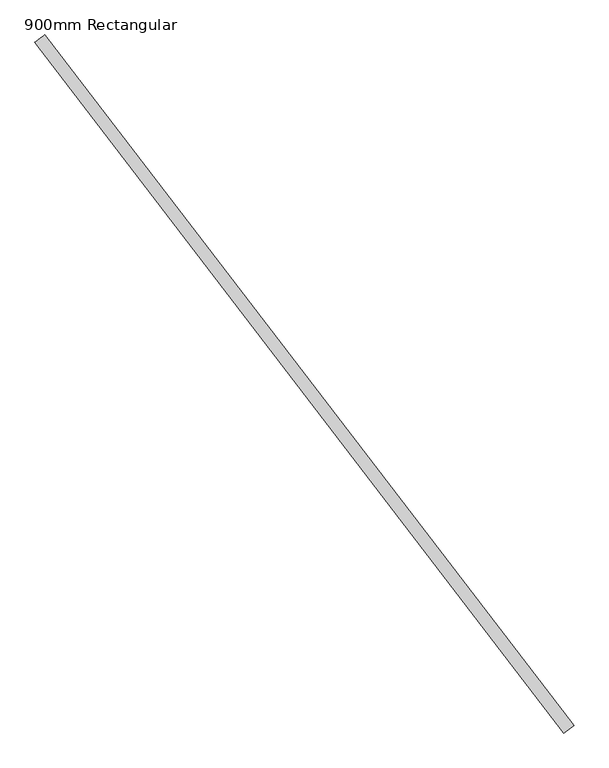
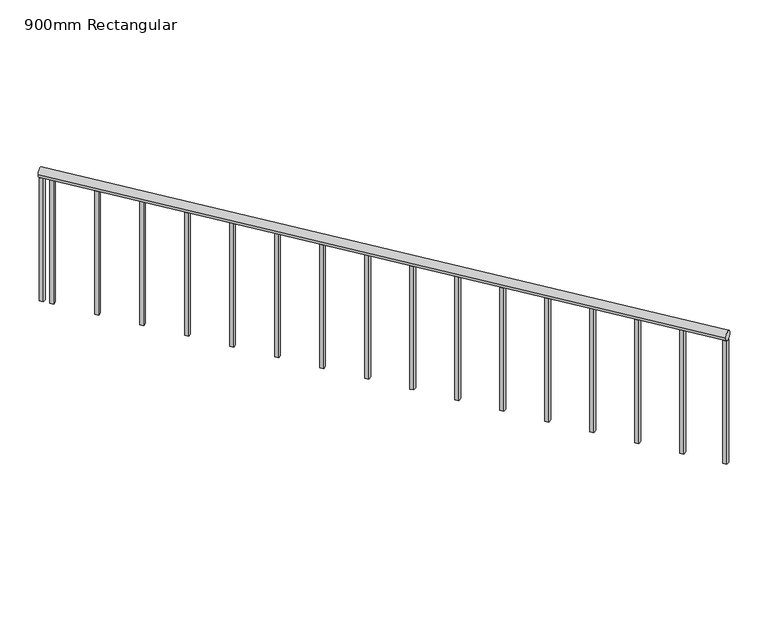
"""IFC4 building model written with IfcOpenShell, lengths in millimetres: railing geometry, 900mm Rectangular."""

from ifc_helpers import new_model, si_unit, point, frame, frame_2d, origin, place, context, project, spatial, polyline, circle_curve, trimmed, segment, composite_curve, outline, extrude, source, transform, mapped, element, save


def railing_900mm_rectangular_e5b7ac3e(model_context):
    return source(origin(), model_context, "Body", "SweptSolid", [
        extrude(outline(composite_curve([segment(trimmed(circle_curve(frame_2d((0.0, 20.0)), 30.0), [point((-30.0, 20.0))], [point((30.0, 20.0))], False, "CARTESIAN"), True, "CONTINUOUS"), segment(trimmed(circle_curve(frame_2d((0.0, 20.0)), 30.0), [point((30.0, 20.0))], [point((-30.0, 20.0))], False, "CARTESIAN"), True, "CONTINUOUS")], self_intersect=False)), frame((-9171.3417065, -155.0503325, 4500.0), z_axis=(-0.6084643426153794, 0.7935812143477403, 0.0), x_axis=(0.7935812143477403, 0.6084643426153794, 0.0)), (0.0, 0.0, 1.0), 4200.0),
        extrude(outline(polyline([(-11663.7315503, 3116.1582158), (-11683.5710807, 3100.9466072), (-11698.7826892, 3120.7861376), (-11678.9431589, 3135.9977461), (-11663.7315503, 3116.1582158)])), frame((0.0, 0.0, 3600.0), z_axis=(0.0, 0.0, 1.0), x_axis=(1.0, 0.0, 0.0)), (0.0, 0.0, 1.0), 850.0),
        extrude(outline(polyline([(-11496.4038561, 2897.9233818), (-11516.2433865, 2882.7117733), (-11531.454995, 2902.5513036), (-11511.6154647, 2917.7629122), (-11496.4038561, 2897.9233818)])), frame((0.0, 0.0, 3600.0), z_axis=(0.0, 0.0, 1.0), x_axis=(1.0, 0.0, 0.0)), (0.0, 0.0, 1.0), 850.0),
        extrude(outline(polyline([(-11329.0761619, 2679.6885479), (-11348.9156922, 2664.4769393), (-11364.1273008, 2684.3164697), (-11344.2877704, 2699.5280783), (-11329.0761619, 2679.6885479)])), frame((0.0, 0.0, 3600.0), z_axis=(0.0, 0.0, 1.0), x_axis=(1.0, 0.0, 0.0)), (0.0, 0.0, 1.0), 850.0),
        extrude(outline(polyline([(-11161.7484677, 2461.453714), (-11181.587998, 2446.2421054), (-11196.7996066, 2466.0816357), (-11176.9600762, 2481.2932443), (-11161.7484677, 2461.453714)])), frame((0.0, 0.0, 3600.0), z_axis=(0.0, 0.0, 1.0), x_axis=(1.0, 0.0, 0.0)), (0.0, 0.0, 1.0), 850.0),
        extrude(outline(polyline([(-10994.4207734, 2243.21888), (-11014.2603038, 2228.0072714), (-11029.4719124, 2247.8468018), (-11009.632382, 2263.0584104), (-10994.4207734, 2243.21888)])), frame((0.0, 0.0, 3600.0), z_axis=(0.0, 0.0, 1.0), x_axis=(1.0, 0.0, 0.0)), (0.0, 0.0, 1.0), 850.0),
        extrude(outline(polyline([(-10827.0930792, 2024.9840461), (-10846.9326096, 2009.7724375), (-10862.1442181, 2029.6119679), (-10842.3046878, 2044.8235764), (-10827.0930792, 2024.9840461)])), frame((0.0, 0.0, 3600.0), z_axis=(0.0, 0.0, 1.0), x_axis=(1.0, 0.0, 0.0)), (0.0, 0.0, 1.0), 850.0),
        extrude(outline(polyline([(-10659.765385, 1806.7492121), (-10679.6049154, 1791.5376036), (-10694.8165239, 1811.3771339), (-10674.9769936, 1826.5887425), (-10659.765385, 1806.7492121)])), frame((0.0, 0.0, 3600.0), z_axis=(0.0, 0.0, 1.0), x_axis=(1.0, 0.0, 0.0)), (0.0, 0.0, 1.0), 850.0),
        extrude(outline(polyline([(-10492.4376908, 1588.5143782), (-10512.2772211, 1573.3027696), (-10527.4888297, 1593.1423), (-10507.6492993, 1608.3539085), (-10492.4376908, 1588.5143782)])), frame((0.0, 0.0, 3600.0), z_axis=(0.0, 0.0, 1.0), x_axis=(1.0, 0.0, 0.0)), (0.0, 0.0, 1.0), 850.0),
        extrude(outline(polyline([(-10325.1099966, 1370.2795442), (-10344.9495269, 1355.0679357), (-10360.1611355, 1374.907466), (-10340.3216051, 1390.1190746), (-10325.1099966, 1370.2795442)])), frame((0.0, 0.0, 3600.0), z_axis=(0.0, 0.0, 1.0), x_axis=(1.0, 0.0, 0.0)), (0.0, 0.0, 1.0), 850.0),
        extrude(outline(polyline([(-10157.7823023, 1152.0447103), (-10177.6218327, 1136.8331017), (-10192.8334413, 1156.6726321), (-10172.9939109, 1171.8842406), (-10157.7823023, 1152.0447103)])), frame((0.0, 0.0, 3600.0), z_axis=(0.0, 0.0, 1.0), x_axis=(1.0, 0.0, 0.0)), (0.0, 0.0, 1.0), 850.0),
        extrude(outline(polyline([(-9990.4546081, 933.8098763), (-10010.2941385, 918.5982678), (-10025.5057471, 938.4377981), (-10005.6662167, 953.6494067), (-9990.4546081, 933.8098763)])), frame((0.0, 0.0, 3600.0), z_axis=(0.0, 0.0, 1.0), x_axis=(1.0, 0.0, 0.0)), (0.0, 0.0, 1.0), 850.0),
        extrude(outline(polyline([(-9823.1269139, 715.5750424), (-9842.9664443, 700.3634338), (-9858.1780528, 720.2029642), (-9838.3385225, 735.4145727), (-9823.1269139, 715.5750424)])), frame((0.0, 0.0, 3600.0), z_axis=(0.0, 0.0, 1.0), x_axis=(1.0, 0.0, 0.0)), (0.0, 0.0, 1.0), 850.0),
        extrude(outline(polyline([(-9655.7992197, 497.3402084), (-9675.63875, 482.1285999), (-9690.8503586, 501.9681302), (-9671.0108283, 517.1797388), (-9655.7992197, 497.3402084)])), frame((0.0, 0.0, 3600.0), z_axis=(0.0, 0.0, 1.0), x_axis=(1.0, 0.0, 0.0)), (0.0, 0.0, 1.0), 850.0),
        extrude(outline(polyline([(-9488.4715255, 279.1053745), (-9508.3110558, 263.8937659), (-9523.5226644, 283.7332963), (-9503.683134, 298.9449049), (-9488.4715255, 279.1053745)])), frame((0.0, 0.0, 3600.0), z_axis=(0.0, 0.0, 1.0), x_axis=(1.0, 0.0, 0.0)), (0.0, 0.0, 1.0), 850.0),
        extrude(outline(polyline([(-9321.1438312, 60.8705406), (-9340.9833616, 45.658932), (-9356.1949702, 65.4984623), (-9336.3554398, 80.7100709), (-9321.1438312, 60.8705406)])), frame((0.0, 0.0, 3600.0), z_axis=(0.0, 0.0, 1.0), x_axis=(1.0, 0.0, 0.0)), (0.0, 0.0, 1.0), 850.0),
        extrude(outline(polyline([(-11701.7605717, 3165.7570417), (-11721.6001021, 3150.5454331), (-11736.8117107, 3170.3849635), (-11716.9721803, 3185.596572), (-11701.7605717, 3165.7570417)])), frame((0.0, 0.0, 3600.0), z_axis=(0.0, 0.0, 1.0), x_axis=(1.0, 0.0, 0.0)), (0.0, 0.0, 1.0), 850.0),
        extrude(outline(polyline([(-9161.4219413, -147.4445282), (-9181.2614717, -162.6561368), (-9196.4730802, -142.8166064), (-9176.6335499, -127.6049979), (-9161.4219413, -147.4445282)])), frame((0.0, 0.0, 3600.0), z_axis=(0.0, 0.0, 1.0), x_axis=(1.0, 0.0, 0.0)), (0.0, 0.0, 1.0), 850.0),
    ])


if __name__ == "__main__":
    model = new_model("IFC4")
    model_context = context("Model", 3, world=origin())
    ifc_project = project(units=[si_unit("LENGTHUNIT", "METRE", prefix="MILLI")], contexts=[model_context])
    site = spatial("IfcSite", under=ifc_project)
    building = spatial("IfcBuilding", under=site)
    placement = place(None, origin())
    railing_900mm_rectangular_shape = railing_900mm_rectangular_e5b7ac3e(model_context)
    element("IfcRailing", 1, ObjectType="900mm Rectangular", at=placement, inside=building, context=model_context, shape_type="MappedRepresentation", body=[
        mapped(railing_900mm_rectangular_shape, transform((0.0, 0.0, 0.0), x_axis=(1.0, 0.0, 0.0), y_axis=(0.0, 1.0, 0.0), z_axis=(0.0, 0.0, 1.0))),
    ])
    save(model, "model.ifc")
